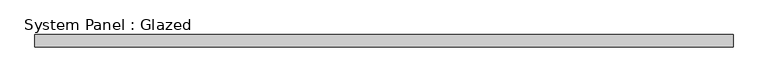
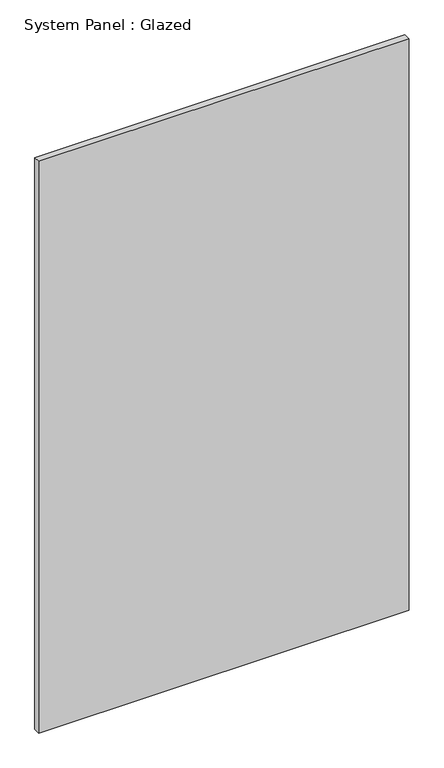
"""IFC4 building model written with IfcOpenShell, lengths in millimetres: plate geometry, System Panel : Glazed."""

from ifc_helpers import new_model, si_unit, origin, origin_with_axes, place, context, project, spatial, polyline, outline, extrude, source, transform, mapped, element, save


def system_panel_glazed_e0bc6bc1(model_context):
    return source(origin(), model_context, "Body", "SweptSolid", [
        extrude(outline(polyline([(712.5, 24.5), (-712.5, 24.5), (-712.5, 49.5), (712.5, 49.5), (712.5, 24.5)])), origin_with_axes(), (0.0, 0.0, 1.0), 2325.0),
    ])


if __name__ == "__main__":
    model = new_model("IFC4")
    model_context = context("Model", 3, world=origin())
    ifc_project = project(units=[si_unit("LENGTHUNIT", "METRE", prefix="MILLI")], contexts=[model_context])
    site = spatial("IfcSite", under=ifc_project)
    building = spatial("IfcBuilding", under=site)
    placement = place(None, origin())
    system_panel_glazed_shape = system_panel_glazed_e0bc6bc1(model_context)
    element("IfcPlate", 1, ObjectType="System Panel : Glazed", at=placement, inside=building, context=model_context, shape_type="MappedRepresentation", body=[
        mapped(system_panel_glazed_shape, transform((0.0, 0.0, 0.0), x_axis=(1.0, 0.0, 0.0), y_axis=(0.0, 1.0, 0.0), z_axis=(0.0, 0.0, 1.0))),
    ])
    save(model, "model.ifc")
